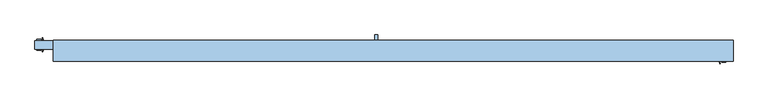
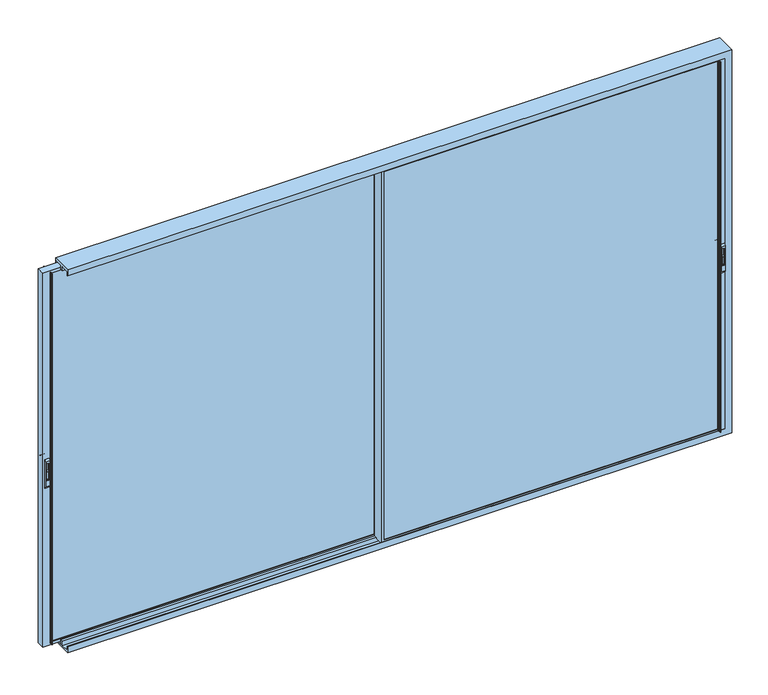
"""IFC4 building model written with IfcOpenShell, lengths in millimetres: window geometry."""

from ifc_helpers import new_model, si_unit, point, frame, frame_2d, origin, place, context, project, spatial, polyline, circle_curve, trimmed, segment, composite_curve, outline, extrude, faceted_brep, source, transform, mapped, element, save
from ifc_brep_helpers import plane_surface, cylinder_surface, revolved_surface, advanced_brep


def window_2987ed1d(model_context):
    return source(origin(), model_context, "Body", "SolidModel", [
        extrude(outline(composite_curve([segment(polyline([(-57.5, 2375.2189223), (-57.5, 2439.6559659)]), True, "CONTINUOUS"), segment(trimmed(circle_curve(frame_2d((-46.9370436, 2439.6559659)), 10.5629564), [point((-57.5, 2439.6559659))], [point((-46.9370436, 2450.2189223))], False, "CARTESIAN"), True, "CONTINUOUS"), segment(polyline([(-46.9370436, 2450.2189223), (-51.7185218, 2375.2189223), (-57.5, 2375.2189223)]), True, "CONTINUOUS")], self_intersect=False)), frame((-4015.5118895, 0.0, 0.0), z_axis=(1.0, 0.0, 0.0), x_axis=(0.0, 1.0, 0.0)), (0.0, 0.0, 1.0), 14.8235768),
        advanced_brep(
        [(-3990.1042776, -57.5, 2307.5), (-3990.1042776, -45.5, 2290.0), (-3990.1042776, -45.5, 2550.0), (-3990.1042776, -57.5, 2532.5), (-4026.0579683, -57.5, 2307.5), (-4026.0579683, -57.5, 2532.5), (-4026.0579683, -45.5, 2550.0), (-4026.0579683, -45.5, 2290.0), (-4016.8953531, -57.5, 2516.667345), (-3999.3048491, -57.5, 2516.667345), (-3999.3048491, -57.5, 2360.7687336), (-4016.8953531, -57.5, 2360.7687336), (-3999.3048491, -46.9370436, 2516.667345), (-4016.8953531, -46.9370436, 2516.667345), (-4016.8953531, -46.9370436, 2360.7687336), (-3999.3048491, -46.9370436, 2360.7687336)],
        [
            (0, 1, circle_curve(frame((-3990.1042776, -38.7395833, 2307.5), z_axis=(1.0, 0.0, 0.0), x_axis=(0.0, 0.0, -1.0)), 18.7604167)),
            (1, 2),
            (2, 3, circle_curve(frame((-3990.1042776, -38.7395833, 2532.5), z_axis=(1.0, 0.0, 0.0), x_axis=(0.0, 0.0, -1.0)), 18.7604167)),
            (3, 0),
            (4, 5),
            (5, 6, circle_curve(frame((-4026.0579683, -38.7395833, 2532.5), z_axis=(-1.0, 0.0, 0.0), x_axis=(0.0, 0.0, -1.0)), 18.7604167)),
            (6, 7),
            (7, 4, circle_curve(frame((-4026.0579683, -38.7395833, 2307.5), z_axis=(-1.0, 0.0, 0.0), x_axis=(0.0, 0.0, -1.0)), 18.7604167)),
            (1, 7),
            (6, 2),
            (3, 5),
            (4, 0),
            (8, 9),
            (9, 10),
            (10, 11),
            (11, 8),
            (12, 13),
            (13, 14),
            (14, 15),
            (15, 12),
            (12, 9),
            (8, 13),
            (11, 14),
            (10, 15),
        ],
        [
            plane_surface(frame((-3990.1042776, -38.7395833, 2288.7395833), z_axis=(1.0, 0.0, 0.0), x_axis=(0.0, 1.0, 0.0))),
            plane_surface(frame((-4026.0579683, -38.7395833, 2288.7395833), z_axis=(-1.0, 0.0, 0.0), x_axis=(0.0, -1.0, 0.0))),
            plane_surface(frame((-3990.1042776, -45.5, 2290.0), z_axis=(0.0, 1.0, 0.0), x_axis=(-1.0, 0.0, 0.0))),
            plane_surface(frame((-3990.1042776, -57.5, 2532.5), z_axis=(0.0, -1.0, 0.0), x_axis=(-1.0, 0.0, 0.0))),
            plane_surface(frame((-4016.8953531, -46.9370436, 2516.667345), z_axis=(0.0, -1.0, 0.0), x_axis=(1.0, 0.0, 0.0))),
            plane_surface(frame((-3999.3048491, -57.5, 2516.667345), z_axis=(0.0, 0.0, -1.0), x_axis=(0.0, 1.0, 0.0))),
            plane_surface(frame((-4016.8953531, -57.5, 2516.667345), z_axis=(1.0, 0.0, 0.0), x_axis=(0.0, 1.0, 0.0))),
            plane_surface(frame((-4016.8953531, -57.5, 2360.7687336), z_axis=(0.0, 0.0, 1.0), x_axis=(0.0, 1.0, 0.0))),
            plane_surface(frame((-3999.3048491, -57.5, 2360.7687336), z_axis=(-1.0, 0.0, 0.0), x_axis=(0.0, 1.0, 0.0))),
            cylinder_surface(frame((-4026.0579683, -38.7395833, 2307.5), z_axis=(1.0, 0.0, 0.0), x_axis=(0.0, 0.0, -1.0)), 18.7604167),
            cylinder_surface(frame((-4026.0579683, -38.7395833, 2532.5), z_axis=(1.0, 0.0, 0.0), x_axis=(0.0, 0.0, -1.0)), 18.7604167),
        ],
        [
            (0, [[1, 2, 3, 4]]),
            (1, [[5, 6, 7, 8]]),
            (2, [[-2, 9, -7, 10]]),
            (3, [[-4, 11, -5, 12], [13, 14, 15, 16]]),
            (4, [[17, 18, 19, 20]]),
            (5, [[-17, 21, -13, 22]]),
            (6, [[-18, -22, -16, 23]]),
            (7, [[-19, -23, -15, 24]]),
            (8, [[-20, -24, -14, -21]]),
            (9, [[-1, -12, -8, -9]]),
            (10, [[-3, -10, -6, -11]]),
        ],
    ),
        extrude(outline(composite_curve([segment(polyline([(-155.5, 2375.2189223), (-155.5, 2439.6559659)]), True, "CONTINUOUS"), segment(trimmed(circle_curve(frame_2d((-144.9370436, 2439.6559659)), 10.5629564), [point((-155.5, 2439.6559659))], [point((-144.9370436, 2450.2189223))], False, "CARTESIAN"), True, "CONTINUOUS"), segment(polyline([(-144.9370436, 2450.2189223), (-149.7185218, 2375.2189223), (-155.5, 2375.2189223)]), True, "CONTINUOUS")], self_intersect=False)), frame((1763.6495372, 0.0, 0.0), z_axis=(1.0, 0.0, 0.0), x_axis=(0.0, 1.0, 0.0)), (0.0, 0.0, 1.0), 14.8235768),
        advanced_brep(
        [(1789.0571491, -155.5, 2307.5), (1789.0571491, -143.5, 2290.0), (1789.0571491, -143.5, 2550.0), (1789.0571491, -155.5, 2532.5), (1753.1034585, -155.5, 2307.5), (1753.1034585, -155.5, 2532.5), (1753.1034585, -143.5, 2550.0), (1753.1034585, -143.5, 2290.0), (1762.2660736, -155.5, 2516.667345), (1779.8565776, -155.5, 2516.667345), (1779.8565776, -155.5, 2360.7687336), (1762.2660736, -155.5, 2360.7687336), (1779.8565776, -144.9370436, 2516.667345), (1762.2660736, -144.9370436, 2516.667345), (1762.2660736, -144.9370436, 2360.7687336), (1779.8565776, -144.9370436, 2360.7687336)],
        [
            (0, 1, circle_curve(frame((1789.0571491, -136.7395833, 2307.5), z_axis=(1.0, 0.0, 0.0), x_axis=(0.0, 0.0, -1.0)), 18.7604167)),
            (1, 2),
            (2, 3, circle_curve(frame((1789.0571491, -136.7395833, 2532.5), z_axis=(1.0, 0.0, 0.0), x_axis=(0.0, 0.0, -1.0)), 18.7604167)),
            (3, 0),
            (4, 5),
            (5, 6, circle_curve(frame((1753.1034585, -136.7395833, 2532.5), z_axis=(-1.0, 0.0, 0.0), x_axis=(0.0, 0.0, -1.0)), 18.7604167)),
            (6, 7),
            (7, 4, circle_curve(frame((1753.1034585, -136.7395833, 2307.5), z_axis=(-1.0, 0.0, 0.0), x_axis=(0.0, 0.0, -1.0)), 18.7604167)),
            (1, 7),
            (6, 2),
            (3, 5),
            (4, 0),
            (8, 9),
            (9, 10),
            (10, 11),
            (11, 8),
            (12, 13),
            (13, 14),
            (14, 15),
            (15, 12),
            (12, 9),
            (8, 13),
            (11, 14),
            (10, 15),
        ],
        [
            plane_surface(frame((1789.0571491, -136.7395833, 2288.7395833), z_axis=(1.0, 0.0, 0.0), x_axis=(0.0, 1.0, 0.0))),
            plane_surface(frame((1753.1034585, -136.7395833, 2288.7395833), z_axis=(-1.0, 0.0, 0.0), x_axis=(0.0, -1.0, 0.0))),
            plane_surface(frame((1789.0571491, -143.5, 2290.0), z_axis=(0.0, 1.0, 0.0), x_axis=(-1.0, 0.0, 0.0))),
            plane_surface(frame((1789.0571491, -155.5, 2532.5), z_axis=(0.0, -1.0, 0.0), x_axis=(-1.0, 0.0, 0.0))),
            plane_surface(frame((1762.2660736, -144.9370436, 2516.667345), z_axis=(0.0, -1.0, 0.0), x_axis=(1.0, 0.0, 0.0))),
            plane_surface(frame((1779.8565776, -155.5, 2516.667345), z_axis=(0.0, 0.0, -1.0), x_axis=(0.0, 1.0, 0.0))),
            plane_surface(frame((1762.2660736, -155.5, 2516.667345), z_axis=(1.0, 0.0, 0.0), x_axis=(0.0, 1.0, 0.0))),
            plane_surface(frame((1762.2660736, -155.5, 2360.7687336), z_axis=(0.0, 0.0, 1.0), x_axis=(0.0, 1.0, 0.0))),
            plane_surface(frame((1779.8565776, -155.5, 2360.7687336), z_axis=(-1.0, 0.0, 0.0), x_axis=(0.0, 1.0, 0.0))),
            cylinder_surface(frame((1753.1034585, -136.7395833, 2307.5), z_axis=(1.0, 0.0, 0.0), x_axis=(0.0, 0.0, -1.0)), 18.7604167),
            cylinder_surface(frame((1753.1034585, -136.7395833, 2532.5), z_axis=(1.0, 0.0, 0.0), x_axis=(0.0, 0.0, -1.0)), 18.7604167),
        ],
        [
            (0, [[1, 2, 3, 4]]),
            (1, [[5, 6, 7, 8]]),
            (2, [[-2, 9, -7, 10]]),
            (3, [[-4, 11, -5, 12], [13, 14, 15, 16]]),
            (4, [[17, 18, 19, 20]]),
            (5, [[-17, 21, -13, 22]]),
            (6, [[-18, -22, -16, 23]]),
            (7, [[-19, -23, -15, 24]]),
            (8, [[-20, -24, -14, -21]]),
            (9, [[-1, -12, -8, -9]]),
            (10, [[-3, -10, -6, -11]]),
        ],
    ),
        extrude(outline(composite_curve([segment(polyline([(-62.5008191, 2375.2189223), (-68.2822973, 2375.2189223), (-73.0637755, 2450.2189223)]), True, "CONTINUOUS"), segment(trimmed(circle_curve(frame_2d((-73.0637755, 2439.6559659)), 10.5629564), [point((-73.0637755, 2450.2189223))], [point((-62.5008191, 2439.6559659))], False, "CARTESIAN"), True, "CONTINUOUS"), segment(polyline([(-62.5008191, 2439.6559659), (-62.5008191, 2375.2189223)]), True, "CONTINUOUS")], self_intersect=False)), frame((1763.6874936, 0.0, 0.0), z_axis=(1.0, 0.0, 0.0), x_axis=(0.0, 1.0, 0.0)), (0.0, 0.0, 1.0), 14.8235768),
        advanced_brep(
        [(1753.1034585, -62.5008191, 2307.5), (1753.1034585, -74.5008191, 2290.0), (1753.1034585, -74.5008191, 2550.0), (1753.1034585, -62.5008191, 2532.5), (1789.0571491, -62.5008191, 2307.5), (1789.0571491, -62.5008191, 2532.5), (1789.0571491, -74.5008191, 2550.0), (1789.0571491, -74.5008191, 2290.0), (1779.894534, -62.5008191, 2516.667345), (1762.30403, -62.5008191, 2516.667345), (1762.30403, -62.5008191, 2360.7687336), (1779.894534, -62.5008191, 2360.7687336), (1762.30403, -73.0637755, 2516.667345), (1779.894534, -73.0637755, 2516.667345), (1779.894534, -73.0637755, 2360.7687336), (1762.30403, -73.0637755, 2360.7687336)],
        [
            (0, 1, circle_curve(frame((1753.1034585, -81.2612358, 2307.5), z_axis=(-1.0, 0.0, 0.0), x_axis=(0.0, 0.0, -1.0)), 18.7604167)),
            (1, 2),
            (2, 3, circle_curve(frame((1753.1034585, -81.2612358, 2532.5), z_axis=(-1.0, 0.0, 0.0), x_axis=(0.0, 0.0, -1.0)), 18.7604167)),
            (3, 0),
            (4, 5),
            (5, 6, circle_curve(frame((1789.0571491, -81.2612358, 2532.5), z_axis=(1.0, 0.0, 0.0), x_axis=(0.0, 0.0, -1.0)), 18.7604167)),
            (6, 7),
            (7, 4, circle_curve(frame((1789.0571491, -81.2612358, 2307.5), z_axis=(1.0, 0.0, 0.0), x_axis=(0.0, 0.0, -1.0)), 18.7604167)),
            (1, 7),
            (6, 2),
            (3, 5),
            (4, 0),
            (8, 9),
            (9, 10),
            (10, 11),
            (11, 8),
            (12, 13),
            (13, 14),
            (14, 15),
            (15, 12),
            (12, 9),
            (8, 13),
            (11, 14),
            (10, 15),
        ],
        [
            plane_surface(frame((1753.1034585, -81.2612358, 2288.7395833), z_axis=(-1.0, 0.0, 0.0), x_axis=(0.0, -1.0, 0.0))),
            plane_surface(frame((1789.0571491, -81.2612358, 2288.7395833), z_axis=(1.0, 0.0, 0.0), x_axis=(0.0, 1.0, 0.0))),
            plane_surface(frame((1753.1034585, -74.5008191, 2290.0), z_axis=(0.0, -1.0, 0.0), x_axis=(1.0, 0.0, 0.0))),
            plane_surface(frame((1753.1034585, -62.5008191, 2532.5), z_axis=(0.0, 1.0, 0.0), x_axis=(1.0, 0.0, 0.0))),
            plane_surface(frame((1779.894534, -73.0637755, 2516.667345), z_axis=(0.0, 1.0, 0.0), x_axis=(-1.0, 0.0, 0.0))),
            plane_surface(frame((1762.30403, -62.5008191, 2516.667345), z_axis=(0.0, 0.0, -1.0), x_axis=(0.0, -1.0, 0.0))),
            plane_surface(frame((1779.894534, -62.5008191, 2516.667345), z_axis=(-1.0, 0.0, 0.0), x_axis=(0.0, -1.0, 0.0))),
            plane_surface(frame((1779.894534, -62.5008191, 2360.7687336), z_axis=(0.0, 0.0, 1.0), x_axis=(0.0, -1.0, 0.0))),
            plane_surface(frame((1762.30403, -62.5008191, 2360.7687336), z_axis=(1.0, 0.0, 0.0), x_axis=(0.0, -1.0, 0.0))),
            cylinder_surface(frame((1789.0571491, -81.2612358, 2307.5), z_axis=(-1.0, 0.0, 0.0), x_axis=(0.0, 0.0, -1.0)), 18.7604167),
            cylinder_surface(frame((1789.0571491, -81.2612358, 2532.5), z_axis=(-1.0, 0.0, 0.0), x_axis=(0.0, 0.0, -1.0)), 18.7604167),
        ],
        [
            (0, [[1, 2, 3, 4]]),
            (1, [[5, 6, 7, 8]]),
            (2, [[-2, 9, -7, 10]]),
            (3, [[-4, 11, -5, 12], [13, 14, 15, 16]]),
            (4, [[17, 18, 19, 20]]),
            (5, [[-17, 21, -13, 22]]),
            (6, [[-18, -22, -16, 23]]),
            (7, [[-19, -23, -15, 24]]),
            (8, [[-20, -24, -14, -21]]),
            (9, [[-1, -12, -8, -9]]),
            (10, [[-3, -10, -6, -11]]),
        ],
    ),
        extrude(outline(composite_curve([segment(polyline([(35.3, 2375.2189223), (29.5185218, 2375.2189223), (24.7370436, 2450.2189223)]), True, "CONTINUOUS"), segment(trimmed(circle_curve(frame_2d((24.7370436, 2439.6559659)), 10.5629564), [point((24.7370436, 2450.2189223))], [point((35.3, 2439.6559659))], False, "CARTESIAN"), True, "CONTINUOUS"), segment(polyline([(35.3, 2439.6559659), (35.3, 2375.2189223)]), True, "CONTINUOUS")], self_intersect=False)), frame((-4015.4739332, 0.0, 0.0), z_axis=(1.0, 0.0, 0.0), x_axis=(0.0, 1.0, 0.0)), (0.0, 0.0, 1.0), 14.8235768),
        advanced_brep(
        [(-4026.0579683, 35.3, 2307.5), (-4026.0579683, 23.3, 2290.0), (-4026.0579683, 23.3, 2550.0), (-4026.0579683, 35.3, 2532.5), (-3990.1042776, 35.3, 2307.5), (-3990.1042776, 35.3, 2532.5), (-3990.1042776, 23.3, 2550.0), (-3990.1042776, 23.3, 2290.0), (-3999.2668927, 35.3, 2516.667345), (-4016.8573967, 35.3, 2516.667345), (-4016.8573967, 35.3, 2360.7687336), (-3999.2668927, 35.3, 2360.7687336), (-4016.8573967, 24.7370436, 2516.667345), (-3999.2668927, 24.7370436, 2516.667345), (-3999.2668927, 24.7370436, 2360.7687336), (-4016.8573967, 24.7370436, 2360.7687336)],
        [
            (0, 1, circle_curve(frame((-4026.0579683, 16.5395833, 2307.5), z_axis=(-1.0, 0.0, 0.0), x_axis=(0.0, 0.0, -1.0)), 18.7604167)),
            (1, 2),
            (2, 3, circle_curve(frame((-4026.0579683, 16.5395833, 2532.5), z_axis=(-1.0, 0.0, 0.0), x_axis=(0.0, 0.0, -1.0)), 18.7604167)),
            (3, 0),
            (4, 5),
            (5, 6, circle_curve(frame((-3990.1042776, 16.5395833, 2532.5), z_axis=(1.0, 0.0, 0.0), x_axis=(0.0, 0.0, -1.0)), 18.7604167)),
            (6, 7),
            (7, 4, circle_curve(frame((-3990.1042776, 16.5395833, 2307.5), z_axis=(1.0, 0.0, 0.0), x_axis=(0.0, 0.0, -1.0)), 18.7604167)),
            (1, 7),
            (6, 2),
            (3, 5),
            (4, 0),
            (8, 9),
            (9, 10),
            (10, 11),
            (11, 8),
            (12, 13),
            (13, 14),
            (14, 15),
            (15, 12),
            (12, 9),
            (8, 13),
            (11, 14),
            (10, 15),
        ],
        [
            plane_surface(frame((-4026.0579683, 16.5395833, 2288.7395833), z_axis=(-1.0, 0.0, 0.0), x_axis=(0.0, -1.0, 0.0))),
            plane_surface(frame((-3990.1042776, 16.5395833, 2288.7395833), z_axis=(1.0, 0.0, 0.0), x_axis=(0.0, 1.0, 0.0))),
            plane_surface(frame((-4026.0579683, 23.3, 2290.0), z_axis=(0.0, -1.0, 0.0), x_axis=(1.0, 0.0, 0.0))),
            plane_surface(frame((-4026.0579683, 35.3, 2532.5), z_axis=(0.0, 1.0, 0.0), x_axis=(1.0, 0.0, 0.0))),
            plane_surface(frame((-3999.2668927, 24.7370436, 2516.667345), z_axis=(0.0, 1.0, 0.0), x_axis=(-1.0, 0.0, 0.0))),
            plane_surface(frame((-4016.8573967, 35.3, 2516.667345), z_axis=(0.0, 0.0, -1.0), x_axis=(0.0, -1.0, 0.0))),
            plane_surface(frame((-3999.2668927, 35.3, 2516.667345), z_axis=(-1.0, 0.0, 0.0), x_axis=(0.0, -1.0, 0.0))),
            plane_surface(frame((-3999.2668927, 35.3, 2360.7687336), z_axis=(0.0, 0.0, 1.0), x_axis=(0.0, -1.0, 0.0))),
            plane_surface(frame((-4016.8573967, 35.3, 2360.7687336), z_axis=(1.0, 0.0, 0.0), x_axis=(0.0, -1.0, 0.0))),
            cylinder_surface(frame((-3990.1042776, 16.5395833, 2307.5), z_axis=(-1.0, 0.0, 0.0), x_axis=(0.0, 0.0, -1.0)), 18.7604167),
            cylinder_surface(frame((-3990.1042776, 16.5395833, 2532.5), z_axis=(-1.0, 0.0, 0.0), x_axis=(0.0, 0.0, -1.0)), 18.7604167),
        ],
        [
            (0, [[1, 2, 3, 4]]),
            (1, [[5, 6, 7, 8]]),
            (2, [[-2, 9, -7, 10]]),
            (3, [[-4, 11, -5, 12], [13, 14, 15, 16]]),
            (4, [[17, 18, 19, 20]]),
            (5, [[-17, 21, -13, 22]]),
            (6, [[-18, -22, -16, 23]]),
            (7, [[-19, -23, -15, 24]]),
            (8, [[-20, -24, -14, -21]]),
            (9, [[-1, -12, -8, -9]]),
            (10, [[-3, -10, -6, -11]]),
        ],
    ),
        extrude(outline(polyline([(-1163.0, -82.0), (1748.5, -82.0), (1748.5, -136.0), (-1163.0, -136.0), (-1163.0, -82.0)])), frame((0.0, 0.0, 857.0), z_axis=(0.0, 0.0, 1.0), x_axis=(1.0, 0.0, 0.0)), (0.0, 0.0, 1.0), 3386.0),
        extrude(outline(polyline([(-3985.5008191, -38.0), (-3985.5008191, 16.0), (-1163.0, 16.0), (-1163.0, -38.0), (-3985.5008191, -38.0)])), frame((0.0, 0.0, 857.0), z_axis=(0.0, 0.0, 1.0), x_axis=(1.0, 0.0, 0.0)), (0.0, 0.0, 1.0), 3386.0),
        faceted_brep([(-3889.421, 30.0, 800.0), (-3889.421, -150.0, 800.0), (-3889.421, -150.0, 857.0), (-3889.421, -145.8, 857.0), (-3889.421, -145.8, 819.456958), (-3889.421, -71.9016382, 819.456958), (-3889.421, -71.9016382, 857.0), (-3889.421, -48.1016382, 857.0), (-3889.421, -48.1016382, 819.2), (-3889.421, 26.3, 819.2), (-3889.421, 26.3, 857.0), (-3889.421, 30.0, 857.0), (1850.0, 30.0, 800.0), (1850.0, -150.0, 800.0), (1850.0, -150.0, 4300.0), (-3889.421, -150.0, 4300.0), (-3889.421, -150.0, 4243.0), (1793.0, -150.0, 4243.0), (1793.0, -150.0, 857.0), (1793.0, -145.8, 857.0), (1793.0, -145.8, 4243.0), (-3889.421, -145.8, 4243.0), (-3889.421, -145.8, 4280.543042), (1830.543042, -145.8, 4280.543042), (1830.543042, -145.8, 819.456958), (1830.543042, -71.9016382, 819.456958), (1830.543042, -71.9016382, 4280.543042), (-3889.421, -71.9016382, 4280.543042), (-3889.421, -71.9016382, 4243.0), (1793.0, -71.9016382, 4243.0), (1793.0, -71.9016382, 857.0), (1793.0, -48.1016382, 857.0), (1793.0, -48.1016382, 4243.0), (-3889.421, -48.1016382, 4243.0), (-3889.421, -48.1016382, 4280.8), (1830.8, -48.1016382, 4280.8), (1830.8, -48.1016382, 819.2), (1830.8, 26.3, 819.2), (1830.8, 26.3, 4280.8), (-3889.421, 26.3, 4280.8), (-3889.421, 26.3, 4243.0), (1793.0, 26.3, 4243.0), (1793.0, 26.3, 857.0), (1793.0, 30.0, 857.0), (1793.0, 30.0, 4243.0), (-3889.421, 30.0, 4243.0), (-3889.421, 30.0, 4300.0), (1850.0, 30.0, 4300.0)], [[[0, 1, 2, 3, 4, 5, 6, 7, 8, 9, 10, 11]], [[1, 0, 12, 13]], [[2, 1, 13, 14, 15, 16, 17, 18]], [[3, 2, 18, 19]], [[4, 3, 19, 20, 21, 22, 23, 24]], [[5, 4, 24, 25]], [[6, 5, 25, 26, 27, 28, 29, 30]], [[7, 6, 30, 31]], [[8, 7, 31, 32, 33, 34, 35, 36]], [[9, 8, 36, 37]], [[10, 9, 37, 38, 39, 40, 41, 42]], [[11, 10, 42, 43]], [[0, 11, 43, 44, 45, 46, 47, 12]], [[13, 12, 47, 14]], [[19, 18, 17, 20]], [[25, 24, 23, 26]], [[31, 30, 29, 32]], [[37, 36, 35, 38]], [[43, 42, 41, 44]], [[14, 47, 46, 15]], [[46, 45, 40, 39, 34, 33, 28, 27, 22, 21, 16, 15]], [[20, 17, 16, 21]], [[26, 23, 22, 27]], [[32, 29, 28, 33]], [[38, 35, 34, 39]], [[44, 41, 40, 45]]]),
        extrude(outline(polyline([(1794.6, 23.9), (1794.6, -46.0016382), (1830.5, -46.0016382), (1830.5, -48.1016382), (1793.0, -48.1016382), (1793.0, 26.0), (1830.5, 26.0), (1830.5, 23.9), (1794.6, 23.9)])), frame((0.0, 0.0, 820.982126), z_axis=(0.0, 0.0, 1.0), x_axis=(1.0, 0.0, 0.0)), (0.0, 0.0, 1.0), 3460.1391298),
        advanced_brep(
        [(-1176.0, -74.5008191, 845.5), (-1176.0, -143.5, 845.5), (-1176.0, -143.5, 4257.5), (-1176.0, -74.5008191, 4257.5), (-1176.0, -74.5008191, 4243.0), (-1176.0, -48.4969017, 4243.0), (-1176.0, -48.4969017, 857.0), (-1176.0, -74.5008191, 857.0), (1805.5, -74.5008191, 845.5), (1805.5, -143.5, 845.5), (1805.5, -143.5, 4257.5), (1739.6208983, -143.5, 857.0), (1736.5, -143.5, 857.0), (1736.5, -143.5, 4239.9999325), (1739.6208983, -143.5, 4239.9999325), (-1150.0, -143.5, 4231.0), (1734.5, -143.5, 4231.0), (1734.5, -143.5, 869.0), (-1150.0, -143.5, 869.0), (-1164.4, -48.4969017, 4243.0), (-1164.4, -48.4969017, 857.0), (-1164.4, -74.5008191, 857.0), (1805.5, -74.5008191, 4257.5), (-1164.4, -74.5008191, 4243.0), (-1150.0, -74.5008191, 869.0), (1734.5, -74.5008191, 869.0), (1734.5, -74.5008191, 4231.0), (-1150.0, -74.5008191, 4231.0), (1739.6208983, -74.5008191, 4239.9999325), (1736.5, -74.5008191, 4239.9999325), (1736.5002349, -74.5008191, 857.0), (1739.6208983, -74.5008191, 857.0), (1805.5, -82.0, 4239.9999325), (1805.5, -135.8, 4239.9999325), (1805.5, -135.8, 4243.0), (1805.5, -82.0, 4243.0), (1734.5, -136.0, 4231.0), (1734.5, -136.0, 869.0), (-1150.0, -135.8, 869.0), (1748.5, -136.0, 869.0), (1748.5, -135.8, 869.0), (-1150.0, -135.8, 4231.0), (1737.626431, -150.4555341, 857.0), (1737.739631, -152.4330365, 857.0), (1743.4747822, -167.8432139, 857.0), (1743.0, -168.5, 857.0), (1740.2399611, -168.5, 857.0), (1739.2836563, -167.7923717, 857.0), (1734.6162149, -152.5258588, 857.0), (1734.6162149, -150.0695393, 857.0), (1734.6162149, -67.9304607, 857.0), (1734.6162149, -65.4741412, 857.0), (1739.2836563, -50.2076283, 857.0), (1740.2399611, -49.5, 857.0), (1743.0, -49.5, 857.0), (1743.4747822, -50.1567861, 857.0), (1737.739631, -65.5669635, 857.0), (1737.626431, -67.5444659, 857.0), (1734.6162149, -150.0695393, 4239.9999325), (1737.626431, -150.4555341, 4239.9999325), (1748.5, -136.0, 4231.0), (1748.5, -82.0, 4239.9999325), (1748.5, -82.0, 860.0000675), (1748.5, -135.8, 860.0000675), (1748.5, -135.8, 4231.0), (1748.5, -135.8, 4239.9999325), (-1163.0, -135.8, 860.0000675), (-1163.0, -135.8, 4243.0), (-1163.0, -82.0, 860.0000675), (-1163.0, -82.0, 4243.0), (-1150.0, -82.0, 869.0), (-1150.0, -82.0, 4231.0), (1734.5, -82.0, 4231.0), (1734.5, -82.0, 869.0), (1734.6162149, -67.9304607, 4239.9999325), (1737.626431, -67.5444659, 4239.9999325), (1737.739631, -152.4330365, 4239.9999325), (1743.4747822, -167.8432139, 4239.9999325), (1743.0, -168.5, 4239.9999325), (1740.2399611, -168.5, 4239.9999325), (1739.2836563, -167.7923717, 4239.9999325), (1734.6162149, -152.5258588, 4239.9999325), (1734.6162149, -65.4741412, 4239.9999325), (1739.2836563, -50.2076283, 4239.9999325), (1740.2399611, -49.5, 4239.9999325), (1743.0, -49.5, 4239.9999325), (1743.4747822, -50.1567861, 4239.9999325), (1737.739631, -65.5669635, 4239.9999325)],
        [
            (0, 1),
            (1, 2),
            (2, 3),
            (3, 4),
            (4, 5),
            (5, 6),
            (6, 7),
            (7, 0),
            (0, 8),
            (8, 9),
            (9, 1),
            (9, 10),
            (10, 2),
            (11, 12),
            (12, 13),
            (13, 14),
            (14, 11),
            (15, 16),
            (16, 17),
            (17, 18),
            (18, 15),
            (5, 19),
            (19, 20),
            (20, 6),
            (20, 21),
            (21, 7),
            (22, 8),
            (21, 23),
            (23, 4),
            (3, 22),
            (24, 25),
            (25, 26),
            (26, 27),
            (27, 24),
            (28, 29),
            (29, 30),
            (30, 31),
            (31, 28),
            (22, 10),
            (32, 33),
            (33, 34),
            (34, 35),
            (35, 32),
            (16, 36),
            (36, 37),
            (37, 17),
            (38, 18),
            (37, 39),
            (39, 40),
            (40, 38),
            (38, 41),
            (41, 15),
            (11, 42),
            (42, 43, circle_curve(frame((1740.5102161, -151.2824462, 857.0), z_axis=(0.0, 0.0, 1.0), x_axis=(1.0, 0.0, 0.0)), 3.0)),
            (43, 44, circle_curve(frame((1534.3068415, -236.9162025, 857.0), z_axis=(0.0, 0.0, -1.0), x_axis=(1.0, 0.0, 0.0)), 220.2777909)),
            (44, 45, circle_curve(frame((1743.0, -168.0, 857.0), z_axis=(0.0, 0.0, -1.0), x_axis=(1.0, 0.0, 0.0)), 0.5)),
            (45, 46),
            (46, 47, circle_curve(frame((1740.2399611, -167.5, 857.0), z_axis=(0.0, 0.0, -1.0), x_axis=(1.0, 0.0, 0.0)), 1.0)),
            (47, 48),
            (48, 49, circle_curve(frame((1738.8993168, -151.297699, 857.0), z_axis=(0.0, 0.0, -1.0), x_axis=(1.0, 0.0, 0.0)), 4.4557085)),
            (49, 12),
            (30, 50),
            (50, 51, circle_curve(frame((1738.8993168, -66.702301, 857.0), z_axis=(0.0, 0.0, -1.0), x_axis=(1.0, 0.0, 0.0)), 4.4557085)),
            (51, 52),
            (52, 53, circle_curve(frame((1740.2399611, -50.5, 857.0), z_axis=(0.0, 0.0, -1.0), x_axis=(1.0, 0.0, 0.0)), 1.0)),
            (53, 54),
            (54, 55, circle_curve(frame((1743.0, -50.0, 857.0), z_axis=(0.0, 0.0, -1.0), x_axis=(1.0, 0.0, 0.0)), 0.5)),
            (55, 56, circle_curve(frame((1534.3068415, 18.9162025, 857.0), z_axis=(0.0, 0.0, -1.0), x_axis=(1.0, 0.0, 0.0)), 220.2777909)),
            (56, 57, circle_curve(frame((1740.5102161, -66.7175538, 857.0), z_axis=(0.0, 0.0, 1.0), x_axis=(1.0, 0.0, 0.0)), 3.0)),
            (57, 31),
            (58, 13),
            (49, 58),
            (14, 59),
            (59, 42),
            (60, 39),
            (36, 60),
            (61, 62),
            (62, 63),
            (63, 40),
            (60, 64),
            (64, 65),
            (65, 61),
            (63, 66),
            (66, 67),
            (67, 34),
            (33, 65),
            (64, 41),
            (62, 68),
            (68, 66),
            (68, 69),
            (69, 67),
            (61, 32),
            (35, 69),
            (70, 71),
            (71, 72),
            (72, 73),
            (73, 70),
            (27, 71),
            (70, 24),
            (72, 26),
            (25, 73),
            (19, 23),
            (29, 74),
            (74, 50),
            (75, 28),
            (57, 75),
            (59, 76, circle_curve(frame((1740.5102161, -151.2824462, 4239.9999325), z_axis=(0.0, 0.0, 1.0), x_axis=(1.0, 0.0, 0.0)), 3.0)),
            (76, 43),
            (76, 77, circle_curve(frame((1534.3068415, -236.9162025, 4239.9999325), z_axis=(0.0, 0.0, -1.0), x_axis=(1.0, 0.0, 0.0)), 220.2777909)),
            (77, 44),
            (77, 78, circle_curve(frame((1743.0, -168.0, 4239.9999325), z_axis=(0.0, 0.0, -1.0), x_axis=(1.0, 0.0, 0.0)), 0.5)),
            (78, 45),
            (78, 79),
            (79, 46),
            (79, 80, circle_curve(frame((1740.2399611, -167.5, 4239.9999325), z_axis=(0.0, 0.0, -1.0), x_axis=(1.0, 0.0, 0.0)), 1.0)),
            (80, 47),
            (80, 81),
            (81, 48),
            (81, 58, circle_curve(frame((1738.8993168, -151.297699, 4239.9999325), z_axis=(0.0, 0.0, -1.0), x_axis=(1.0, 0.0, 0.0)), 4.4557085)),
            (74, 82, circle_curve(frame((1738.8993168, -66.702301, 4239.9999325), z_axis=(0.0, 0.0, -1.0), x_axis=(1.0, 0.0, 0.0)), 4.4557085)),
            (82, 51),
            (82, 83),
            (83, 52),
            (83, 84, circle_curve(frame((1740.2399611, -50.5, 4239.9999325), z_axis=(0.0, 0.0, -1.0), x_axis=(1.0, 0.0, 0.0)), 1.0)),
            (84, 53),
            (84, 85),
            (85, 54),
            (85, 86, circle_curve(frame((1743.0, -50.0, 4239.9999325), z_axis=(0.0, 0.0, -1.0), x_axis=(1.0, 0.0, 0.0)), 0.5)),
            (86, 55),
            (86, 87, circle_curve(frame((1534.3068415, 18.9162025, 4239.9999325), z_axis=(0.0, 0.0, -1.0), x_axis=(1.0, 0.0, 0.0)), 220.2777909)),
            (87, 56),
            (87, 75, circle_curve(frame((1740.5102161, -66.7175538, 4239.9999325), z_axis=(0.0, 0.0, 1.0), x_axis=(1.0, 0.0, 0.0)), 3.0)),
        ],
        [
            plane_surface(frame((-1176.0, -143.5, 869.0), z_axis=(-1.0, 0.0, 0.0), x_axis=(0.0, 0.0, 1.0))),
            plane_surface(frame((-1176.0, -74.5008191, 845.5), z_axis=(0.0, 0.0, -1.0), x_axis=(1.0, 0.0, 0.0))),
            plane_surface(frame((-1176.0, -143.5, 845.5), z_axis=(0.0, -1.0, 0.0), x_axis=(1.0, 0.0, 0.0))),
            plane_surface(frame((-1164.4, -48.4969017, 4243.0), z_axis=(0.0, 1.0, 0.0), x_axis=(0.0, 0.0, -1.0))),
            plane_surface(frame((-1150.0, -143.5, 857.0), z_axis=(0.0, 0.0, -1.0), x_axis=(0.0, -1.0, 0.0))),
            plane_surface(frame((-1176.0, -74.5008191, 869.0), z_axis=(0.0, 1.0, 0.0), x_axis=(1.0, 0.0, 0.0))),
            plane_surface(frame((1805.5, -143.5, 869.0), z_axis=(1.0, 0.0, 0.0), x_axis=(0.0, 0.0, -1.0))),
            plane_surface(frame((1734.5, -136.0, 4239.9999325), z_axis=(-1.0, 0.0, 0.0), x_axis=(0.0, 0.0, -1.0))),
            plane_surface(frame((-1176.0, -143.5, 869.0), z_axis=(0.0, 0.0, 1.0), x_axis=(1.0, 0.0, 0.0))),
            plane_surface(frame((-1150.0, -143.5, 4243.0), z_axis=(1.0, 0.0, 0.0), x_axis=(0.0, 0.0, -1.0))),
            plane_surface(frame((1739.6208983, -74.5, 857.0), z_axis=(0.0, 0.0, -1.0), x_axis=(1.0, 0.0, 0.0))),
            plane_surface(frame((1736.5, -143.5, 4239.9999325), z_axis=(-0.9612616959383372, 0.27563735581693555, 0.0), x_axis=(0.0, 0.0, -1.0))),
            plane_surface(frame((1737.626431, -150.4555341, 4239.9999325), z_axis=(0.9612616959382102, -0.27563735581737825, 0.0), x_axis=(0.0, 0.0, -1.0))),
            plane_surface(frame((1748.5, -136.0, 4239.9999325), z_axis=(0.0, 1.0, 0.0), x_axis=(0.0, 0.0, -1.0))),
            plane_surface(frame((1748.5, -82.0, 4239.9999325), z_axis=(-1.0, 0.0, 0.0), x_axis=(0.0, 0.0, -1.0))),
            plane_surface(frame((-1176.0, -135.8, 869.0), z_axis=(0.0, 1.0, 0.0), x_axis=(1.0, 0.0, 0.0))),
            plane_surface(frame((-1176.0, -135.8, 860.0000675), z_axis=(0.0, 0.0, 1.0), x_axis=(1.0, 0.0, 0.0))),
            plane_surface(frame((-1163.0, -135.8, 4243.0), z_axis=(1.0, 0.0, 0.0), x_axis=(0.0, 0.0, -1.0))),
            plane_surface(frame((-1176.0, -82.0, 860.0000675), z_axis=(0.0, -1.0, 0.0), x_axis=(1.0, 0.0, 0.0))),
            plane_surface(frame((-1150.0, -82.0, 4243.0), z_axis=(1.0, 0.0, 0.0), x_axis=(0.0, 0.0, -1.0))),
            plane_surface(frame((1734.5, -74.5, 4239.9999325), z_axis=(-1.0, 0.0, 0.0), x_axis=(0.0, 0.0, -1.0))),
            plane_surface(frame((-1176.0, -82.0, 869.0), z_axis=(0.0, 0.0, 1.0), x_axis=(1.0, 0.0, 0.0))),
            plane_surface(frame((-1164.4, -74.5008191, 4243.0), z_axis=(1.0, 0.0, 0.0), x_axis=(0.0, 0.0, -1.0))),
            plane_surface(frame((1734.6162149, -67.9304607, 4239.9999325), z_axis=(-0.9612616959382837, -0.275637355817122, 0.0), x_axis=(0.0, 0.0, -1.0))),
            plane_surface(frame((1739.6208983, -74.5, 4239.9999325), z_axis=(0.9612616959382672, 0.27563735581717946, 0.0), x_axis=(0.0, 0.0, -1.0))),
            revolved_surface(polyline([(1743.5102161, -151.2824462, 857.0), (1743.5102161, -151.2824462, 4239.9999325)]), (1740.5102161, -151.2824462, 857.0), (0.0, 0.0, -1.0)),
            cylinder_surface(frame((1534.3068415, -236.9162025, 857.0), z_axis=(0.0, 0.0, 1.0), x_axis=(1.0, 0.0, 0.0)), 220.2777909),
            cylinder_surface(frame((1743.0, -168.0, 857.0), z_axis=(0.0, 0.0, 1.0), x_axis=(1.0, 0.0, 0.0)), 0.5),
            plane_surface(frame((1740.2399611, -168.5, 4239.9999325), z_axis=(0.0, -1.0, 0.0), x_axis=(0.0, 0.0, -1.0))),
            cylinder_surface(frame((1740.2399611, -167.5, 857.0), z_axis=(0.0, 0.0, 1.0), x_axis=(1.0, 0.0, 0.0)), 1.0),
            plane_surface(frame((1734.6162149, -152.5258588, 4239.9999325), z_axis=(-0.9563047559631049, -0.2923717047225098, 0.0), x_axis=(0.0, 0.0, -1.0))),
            cylinder_surface(frame((1738.8993168, -151.297699, 857.0), z_axis=(0.0, 0.0, 1.0), x_axis=(1.0, 0.0, 0.0)), 4.4557085),
            cylinder_surface(frame((1738.8993168, -66.702301, 857.0), z_axis=(0.0, 0.0, 1.0), x_axis=(1.0, 0.0, 0.0)), 4.4557085),
            plane_surface(frame((1739.2836563, -50.2076283, 4239.9999325), z_axis=(-0.9563047559630989, 0.2923717047225295, 0.0), x_axis=(0.0, 0.0, -1.0))),
            cylinder_surface(frame((1740.2399611, -50.5, 857.0), z_axis=(0.0, 0.0, 1.0), x_axis=(1.0, 0.0, 0.0)), 1.0),
            plane_surface(frame((1743.0, -49.5, 4239.9999325), z_axis=(0.0, 1.0, 0.0), x_axis=(0.0, 0.0, -1.0))),
            cylinder_surface(frame((1743.0, -50.0, 857.0), z_axis=(0.0, 0.0, 1.0), x_axis=(1.0, 0.0, 0.0)), 0.5),
            cylinder_surface(frame((1534.3068415, 18.9162025, 857.0), z_axis=(0.0, 0.0, 1.0), x_axis=(1.0, 0.0, 0.0)), 220.2777909),
            revolved_surface(polyline([(1743.5102161, -66.7175538, 857.0), (1743.5102161, -66.7175538, 4239.9999325)]), (1740.5102161, -66.7175538, 857.0), (0.0, 0.0, -1.0)),
            plane_surface(frame((-1176.0, -143.5, 4257.5), z_axis=(0.0, 0.0, 1.0), x_axis=(1.0, 0.0, 0.0))),
            plane_surface(frame((-1150.0, -143.5, 4243.0), z_axis=(0.0, 0.0, 1.0), x_axis=(0.0, 1.0, 0.0))),
            plane_surface(frame((1739.6208983, -74.5, 4239.9999325), z_axis=(0.0, 0.0, 1.0), x_axis=(-1.0, 0.0, 0.0))),
            plane_surface(frame((-1176.0, -82.0, 4243.0), z_axis=(0.0, 0.0, -1.0), x_axis=(1.0, 0.0, 0.0))),
            plane_surface(frame((-1176.0, -135.8, 4231.0), z_axis=(0.0, 0.0, -1.0), x_axis=(1.0, 0.0, 0.0))),
            plane_surface(frame((-1176.0, -74.5008191, 4231.0), z_axis=(0.0, 0.0, -1.0), x_axis=(1.0, 0.0, 0.0))),
        ],
        [
            (0, [[1, 2, 3, 4, 5, 6, 7, 8]]),
            (1, [[-1, 9, 10, 11]]),
            (2, [[-11, 12, 13, -2], [14, 15, 16, 17], [18, 19, 20, 21]]),
            (3, [[22, 23, 24, -6]]),
            (4, [[-24, 25, 26, -7]]),
            (5, [[27, -9, -8, -26, 28, 29, -4, 30], [31, 32, 33, 34], [35, 36, 37, 38]]),
            (6, [[-10, -27, 39, -12], [40, 41, 42, 43]]),
            (7, [[-19, 44, 45, 46]]),
            (8, [[47, -20, -46, 48, 49, 50]]),
            (9, [[-21, -47, 51, 52]]),
            (10, [[53, 54, 55, 56, 57, 58, 59, 60, 61, -14]]),
            (10, [[62, 63, 64, 65, 66, 67, 68, 69, 70, -37]]),
            (11, [[71, -15, -61, 72]]),
            (12, [[-17, 73, 74, -53]]),
            (13, [[75, -48, -45, 76]]),
            (14, [[77, 78, 79, -49, -75, 80, 81, 82]]),
            (15, [[-51, -50, -79, 83, 84, 85, -41, 86, -81, 87]]),
            (16, [[88, 89, -83, -78]]),
            (17, [[-89, 90, 91, -84]]),
            (18, [[92, -43, 93, -90, -88, -77], [94, 95, 96, 97]]),
            (19, [[-34, 98, -94, 99]]),
            (20, [[-96, 100, -32, 101]]),
            (21, [[-99, -97, -101, -31]]),
            (22, [[102, -28, -25, -23]]),
            (23, [[-36, 103, 104, -62]]),
            (24, [[105, -38, -70, 106]]),
            (25, [[107, 108, -54, -74]]),
            (26, [[109, 110, -55, -108]]),
            (27, [[111, 112, -56, -110]]),
            (28, [[113, 114, -57, -112]]),
            (29, [[115, 116, -58, -114]]),
            (30, [[117, 118, -59, -116]]),
            (31, [[119, -72, -60, -118]]),
            (32, [[120, 121, -63, -104]]),
            (33, [[122, 123, -64, -121]]),
            (34, [[124, 125, -65, -123]]),
            (35, [[126, 127, -66, -125]]),
            (36, [[128, 129, -67, -127]]),
            (37, [[130, 131, -68, -129]]),
            (38, [[132, -106, -69, -131]]),
            (39, [[-3, -13, -39, -30]]),
            (40, [[-102, -22, -5, -29]]),
            (41, [[-40, -92, -82, -86]]),
            (41, [[-71, -119, -117, -115, -113, -111, -109, -107, -73, -16]]),
            (41, [[-105, -132, -130, -128, -126, -124, -122, -120, -103, -35]]),
            (42, [[-42, -85, -91, -93]]),
            (43, [[-52, -87, -80, -76, -44, -18]]),
            (44, [[-98, -33, -100, -95]]),
        ],
    ),
        advanced_brep(
        [(-4042.5, 23.3, 843.0), (-4042.5, -45.5, 843.0), (-4042.5, -45.5, 4257.5), (-4042.5, 23.3, 4257.5), (-1150.0, 23.3, 843.0), (-1150.0, -45.5, 843.0), (-1150.0, -45.5, 857.0), (-1161.6, -45.5, 857.0), (-1161.6, -45.5, 4243.0), (-1150.0, -45.5, 4243.0), (-1150.0, -45.5, 4257.5), (-1176.0, -45.5, 869.0), (-3971.5, -45.5, 869.0), (-3971.5, -45.5, 4231.0), (-1176.0, -45.5, 4231.0), (-3978.8815605, -45.5, 4243.0), (-3973.5, -45.5, 4243.0), (-3973.5, -45.5, 857.0), (-3978.8815605, -45.5, 857.0), (-1150.0, 23.3, 4257.5), (-1150.0, 23.3, 4243.0), (-1175.0, 23.3, 4243.0), (-1175.0, 23.3, 4231.0), (-3971.5, 23.3, 4231.0), (-3971.5, 23.3, 869.0), (-1175.0, 23.3, 869.0), (-1175.0, 23.3, 857.0), (-1150.0, 23.3, 857.0), (-3973.5, 23.3, 4243.0), (-3978.8815605, 23.3, 4243.0), (-3978.8815605, 23.3, 857.0), (-3973.5, 23.3, 857.0), (-1150.0, 73.5, 857.0), (-1150.0, 73.5, 4243.0), (-1150.0, -71.5030983, 4243.0), (-1150.0, -71.5030983, 857.0), (-1161.6, -71.5030983, 857.0), (-1175.0, 73.5, 857.0), (-1175.0, 73.5, 4243.0), (-1161.6, -71.5030983, 4243.0), (-1176.0, -38.0, 869.0), (-3971.5, -38.0, 869.0), (-3971.5, -38.0, 4231.0), (-1176.0, -38.0, 4231.0), (-3971.6162149, -52.0695393, 4243.0), (-3971.6162149, -52.0695393, 857.0), (-3971.6162149, -54.5258588, 857.0), (-3976.2836563, -69.7923717, 857.0), (-3977.2399611, -70.5, 857.0), (-3980.0, -70.5, 857.0), (-3980.4747822, -69.8432139, 857.0), (-3974.739631, -54.4330365, 857.0), (-3974.626431, -52.4555341, 857.0), (-3975.9977754, -47.6730879, 857.0), (-3975.9977754, 25.4730879, 857.0), (-3974.626431, 30.2555341, 857.0), (-3974.739631, 32.2330365, 857.0), (-3980.4747822, 47.6432139, 857.0), (-3980.0, 48.3, 857.0), (-3977.2399611, 48.3, 857.0), (-3976.2836563, 47.5923717, 857.0), (-3971.6162149, 32.3258588, 857.0), (-3971.6162149, 29.8695393, 857.0), (-3975.9977754, -47.6730879, 4243.0), (-1163.0, -38.0, 4243.0), (-1163.0, -38.0, 857.0), (-3985.4270356, -38.0, 857.0), (-3985.4270356, -38.0, 4243.0), (-1163.0, 16.0, 857.0), (-1163.0, 16.0, 4243.0), (-3985.4270356, 16.0, 857.0), (-3985.4270356, 16.0, 4243.0), (-1175.0, 16.0, 4231.0), (-1175.0, 16.0, 869.0), (-3971.5, 16.0, 869.0), (-3971.5, 16.0, 4231.0), (-3975.9977754, 25.4730879, 4243.0), (-3971.6162149, 29.8695393, 4243.0), (-3974.626431, 30.2555341, 4243.0), (-3974.739631, 32.2330365, 4243.0), (-3980.4747822, 47.6432139, 4243.0), (-3980.0, 48.3, 4243.0), (-3977.2399611, 48.3, 4243.0), (-3976.2836563, 47.5923717, 4243.0), (-3971.6162149, 32.3258588, 4243.0), (-3971.6162149, -54.5258588, 4243.0), (-3976.2836563, -69.7923717, 4243.0), (-3977.2399611, -70.5, 4243.0), (-3980.0, -70.5, 4243.0), (-3980.4747822, -69.8432139, 4243.0), (-3974.739631, -54.4330365, 4243.0), (-3974.626431, -52.4555341, 4243.0)],
        [
            (0, 1),
            (1, 2),
            (2, 3),
            (3, 0),
            (0, 4),
            (4, 5),
            (5, 1),
            (5, 6),
            (6, 7),
            (7, 8),
            (8, 9),
            (9, 10),
            (10, 2),
            (11, 12),
            (12, 13),
            (13, 14),
            (14, 11),
            (15, 16),
            (16, 17),
            (17, 18),
            (18, 15),
            (3, 19),
            (19, 20),
            (20, 21),
            (21, 22),
            (22, 23),
            (23, 24),
            (24, 25),
            (25, 26),
            (26, 27),
            (27, 4),
            (28, 29),
            (29, 30),
            (30, 31),
            (31, 28),
            (27, 32),
            (32, 33),
            (33, 20),
            (19, 10),
            (9, 34),
            (34, 35),
            (35, 6),
            (35, 36),
            (36, 7),
            (37, 32),
            (26, 37),
            (38, 33),
            (37, 38),
            (34, 39),
            (39, 36),
            (11, 40),
            (40, 41),
            (41, 12),
            (41, 42),
            (42, 13),
            (14, 43),
            (43, 40),
            (16, 44),
            (44, 45),
            (45, 17),
            (45, 46, circle_curve(frame((-3975.8993168, -53.297699, 857.0), z_axis=(0.0, 0.0, -1.0), x_axis=(1.0, 0.0, 0.0)), 4.4557085)),
            (46, 47),
            (47, 48, circle_curve(frame((-3977.2399611, -69.5, 857.0), z_axis=(0.0, 0.0, -1.0), x_axis=(1.0, 0.0, 0.0)), 1.0)),
            (48, 49),
            (49, 50, circle_curve(frame((-3980.0, -70.0, 857.0), z_axis=(0.0, 0.0, -1.0), x_axis=(1.0, 0.0, 0.0)), 0.5)),
            (50, 51, circle_curve(frame((-3771.3068415, -138.9162025, 857.0), z_axis=(0.0, 0.0, -1.0), x_axis=(1.0, 0.0, 0.0)), 220.2777909)),
            (51, 52, circle_curve(frame((-3977.5102161, -53.2824462, 857.0), z_axis=(0.0, 0.0, 1.0), x_axis=(1.0, 0.0, 0.0)), 3.0)),
            (52, 53),
            (53, 18, circle_curve(frame((-3978.8815605, -48.5, 857.0), z_axis=(0.0, 0.0, 1.0), x_axis=(1.0, 0.0, 0.0)), 3.0)),
            (30, 54, circle_curve(frame((-3978.8815605, 26.3, 857.0), z_axis=(0.0, 0.0, 1.0), x_axis=(1.0, 0.0, 0.0)), 3.0)),
            (54, 55),
            (55, 56, circle_curve(frame((-3977.5102161, 31.0824462, 857.0), z_axis=(0.0, 0.0, 1.0), x_axis=(1.0, 0.0, 0.0)), 3.0)),
            (56, 57, circle_curve(frame((-3771.3068415, 116.7162025, 857.0), z_axis=(0.0, 0.0, -1.0), x_axis=(1.0, 0.0, 0.0)), 220.2777909)),
            (57, 58, circle_curve(frame((-3980.0, 47.8, 857.0), z_axis=(0.0, 0.0, -1.0), x_axis=(1.0, 0.0, 0.0)), 0.5)),
            (58, 59),
            (59, 60, circle_curve(frame((-3977.2399611, 47.3, 857.0), z_axis=(0.0, 0.0, -1.0), x_axis=(1.0, 0.0, 0.0)), 1.0)),
            (60, 61),
            (61, 62, circle_curve(frame((-3975.8993168, 31.097699, 857.0), z_axis=(0.0, 0.0, -1.0), x_axis=(1.0, 0.0, 0.0)), 4.4557085)),
            (62, 31),
            (63, 15, circle_curve(frame((-3978.8815605, -48.5, 4243.0), z_axis=(0.0, 0.0, 1.0), x_axis=(1.0, 0.0, 0.0)), 3.0)),
            (53, 63),
            (39, 8),
            (64, 65),
            (65, 66),
            (66, 67),
            (67, 64),
            (43, 42),
            (68, 65),
            (64, 69),
            (69, 68),
            (68, 70),
            (70, 66),
            (70, 71),
            (71, 67),
            (69, 71),
            (72, 73),
            (73, 74),
            (74, 75),
            (75, 72),
            (25, 73),
            (72, 22),
            (21, 38),
            (24, 74),
            (23, 75),
            (29, 76, circle_curve(frame((-3978.8815605, 26.3, 4243.0), z_axis=(0.0, 0.0, 1.0), x_axis=(1.0, 0.0, 0.0)), 3.0)),
            (76, 54),
            (77, 28),
            (62, 77),
            (76, 78),
            (78, 55),
            (78, 79, circle_curve(frame((-3977.5102161, 31.0824462, 4243.0), z_axis=(0.0, 0.0, 1.0), x_axis=(1.0, 0.0, 0.0)), 3.0)),
            (79, 56),
            (79, 80, circle_curve(frame((-3771.3068415, 116.7162025, 4243.0), z_axis=(0.0, 0.0, -1.0), x_axis=(1.0, 0.0, 0.0)), 220.2777909)),
            (80, 57),
            (80, 81, circle_curve(frame((-3980.0, 47.8, 4243.0), z_axis=(0.0, 0.0, -1.0), x_axis=(1.0, 0.0, 0.0)), 0.5)),
            (81, 58),
            (81, 82),
            (82, 59),
            (82, 83, circle_curve(frame((-3977.2399611, 47.3, 4243.0), z_axis=(0.0, 0.0, -1.0), x_axis=(1.0, 0.0, 0.0)), 1.0)),
            (83, 60),
            (83, 84),
            (84, 61),
            (84, 77, circle_curve(frame((-3975.8993168, 31.097699, 4243.0), z_axis=(0.0, 0.0, -1.0), x_axis=(1.0, 0.0, 0.0)), 4.4557085)),
            (44, 85, circle_curve(frame((-3975.8993168, -53.297699, 4243.0), z_axis=(0.0, 0.0, -1.0), x_axis=(1.0, 0.0, 0.0)), 4.4557085)),
            (85, 46),
            (85, 86),
            (86, 47),
            (86, 87, circle_curve(frame((-3977.2399611, -69.5, 4243.0), z_axis=(0.0, 0.0, -1.0), x_axis=(1.0, 0.0, 0.0)), 1.0)),
            (87, 48),
            (87, 88),
            (88, 49),
            (88, 89, circle_curve(frame((-3980.0, -70.0, 4243.0), z_axis=(0.0, 0.0, -1.0), x_axis=(1.0, 0.0, 0.0)), 0.5)),
            (89, 50),
            (89, 90, circle_curve(frame((-3771.3068415, -138.9162025, 4243.0), z_axis=(0.0, 0.0, -1.0), x_axis=(1.0, 0.0, 0.0)), 220.2777909)),
            (90, 51),
            (90, 91, circle_curve(frame((-3977.5102161, -53.2824462, 4243.0), z_axis=(0.0, 0.0, 1.0), x_axis=(1.0, 0.0, 0.0)), 3.0)),
            (91, 52),
            (91, 63),
        ],
        [
            plane_surface(frame((-4042.5, -45.5, 869.0), z_axis=(-1.0, 0.0, 0.0), x_axis=(0.0, 0.0, 1.0))),
            plane_surface(frame((-4042.5, 23.3, 843.0), z_axis=(0.0, 0.0, -1.0), x_axis=(1.0, 0.0, 0.0))),
            plane_surface(frame((-4042.5, -45.5, 843.0), z_axis=(0.0, -1.0, 0.0), x_axis=(1.0, 0.0, 0.0))),
            plane_surface(frame((-4042.5, 23.3, 869.0), z_axis=(0.0, 1.0, 0.0), x_axis=(1.0, 0.0, 0.0))),
            plane_surface(frame((-1150.0, -45.5, 869.0), z_axis=(1.0, 0.0, 0.0), x_axis=(0.0, 0.0, -1.0))),
            plane_surface(frame((-1175.0, 73.5, 857.0), z_axis=(0.0, 0.0, -1.0), x_axis=(1.0, 0.0, 0.0))),
            plane_surface(frame((-1150.0, 73.5, 4243.0), z_axis=(0.0, 1.0, 0.0), x_axis=(0.0, 0.0, -1.0))),
            plane_surface(frame((-1161.6, -71.5030983, 4243.0), z_axis=(0.0, -1.0, 0.0), x_axis=(0.0, 0.0, -1.0))),
            plane_surface(frame((-4042.5, -45.5, 869.0), z_axis=(0.0, 0.0, 1.0), x_axis=(1.0, 0.0, 0.0))),
            plane_surface(frame((-3971.5, -45.5, 4243.0), z_axis=(1.0, 0.0, 0.0), x_axis=(0.0, 0.0, -1.0))),
            plane_surface(frame((-1176.0, -38.0, 4243.0), z_axis=(-1.0, 0.0, 0.0), x_axis=(0.0, 0.0, -1.0))),
            plane_surface(frame((-3971.6162149, -52.0695393, 4243.0), z_axis=(0.9612616959384797, 0.2756373558164386, 0.0), x_axis=(0.0, 0.0, -1.0))),
            plane_surface(frame((-4042.5, 23.3, 857.0), z_axis=(0.0, 0.0, -1.0), x_axis=(0.0, 1.0, 0.0))),
            revolved_surface(polyline([(-3975.8815605, -48.5, 857.0), (-3975.8815605, -48.5, 4243.0)]), (-3978.8815605, -48.5, 857.0), (0.0, 0.0, -1.0)),
            plane_surface(frame((-1161.6, -45.5, 4243.0), z_axis=(-1.0, 0.0, 0.0), x_axis=(0.0, 0.0, -1.0))),
            plane_surface(frame((-4042.5, -38.0, 869.0), z_axis=(0.0, 1.0, 0.0), x_axis=(1.0, 0.0, 0.0))),
            plane_surface(frame((-1163.0, 16.0, 4243.0), z_axis=(-1.0, 0.0, 0.0), x_axis=(0.0, 0.0, -1.0))),
            plane_surface(frame((-4042.5, -38.0, 857.0), z_axis=(0.0, 0.0, 1.0), x_axis=(1.0, 0.0, 0.0))),
            plane_surface(frame((-3985.4270356, -38.0, 4243.0), z_axis=(1.0, 0.0, 0.0), x_axis=(0.0, 0.0, -1.0))),
            plane_surface(frame((-4042.5, 16.0, 857.0), z_axis=(0.0, -1.0, 0.0), x_axis=(1.0, 0.0, 0.0))),
            plane_surface(frame((-1175.0, 73.5, 4243.0), z_axis=(-1.0, 0.0, 0.0), x_axis=(0.0, 0.0, -1.0))),
            plane_surface(frame((-4042.5, 16.0, 869.0), z_axis=(0.0, 0.0, 1.0), x_axis=(1.0, 0.0, 0.0))),
            plane_surface(frame((-3971.5, 16.0, 4243.0), z_axis=(1.0, 0.0, 0.0), x_axis=(0.0, 0.0, -1.0))),
            revolved_surface(polyline([(-3975.8815605, 26.3, 857.0), (-3975.8815605, 26.3, 4243.0)]), (-3978.8815605, 26.3, 857.0), (0.0, 0.0, -1.0)),
            plane_surface(frame((-3973.5, 23.3, 4243.0), z_axis=(0.9612616959385151, -0.2756373558163149, 0.0), x_axis=(0.0, 0.0, -1.0))),
            plane_surface(frame((-3974.626431, 30.2555341, 4243.0), z_axis=(-0.9612616959385761, 0.27563735581610216, 0.0), x_axis=(0.0, 0.0, -1.0))),
            revolved_surface(polyline([(-3974.5102161, 31.0824462, 857.0), (-3974.5102161, 31.0824462, 4243.0)]), (-3977.5102161, 31.0824462, 857.0), (0.0, 0.0, -1.0)),
            cylinder_surface(frame((-3771.3068415, 116.7162025, 857.0), z_axis=(0.0, 0.0, 1.0), x_axis=(1.0, 0.0, 0.0)), 220.2777909),
            cylinder_surface(frame((-3980.0, 47.8, 857.0), z_axis=(0.0, 0.0, 1.0), x_axis=(1.0, 0.0, 0.0)), 0.5),
            plane_surface(frame((-3977.2399611, 48.3, 4243.0), z_axis=(0.0, 1.0, 0.0), x_axis=(0.0, 0.0, -1.0))),
            cylinder_surface(frame((-3977.2399611, 47.3, 857.0), z_axis=(0.0, 0.0, 1.0), x_axis=(1.0, 0.0, 0.0)), 1.0),
            plane_surface(frame((-3971.6162149, 32.3258588, 4243.0), z_axis=(0.9563047559630001, 0.29237170472285273, 0.0), x_axis=(0.0, 0.0, -1.0))),
            cylinder_surface(frame((-3975.8993168, 31.097699, 857.0), z_axis=(0.0, 0.0, 1.0), x_axis=(1.0, 0.0, 0.0)), 4.4557085),
            cylinder_surface(frame((-3975.8993168, -53.297699, 857.0), z_axis=(0.0, 0.0, 1.0), x_axis=(1.0, 0.0, 0.0)), 4.4557085),
            plane_surface(frame((-3976.2836563, -69.7923717, 4243.0), z_axis=(0.9563047559630975, -0.2923717047225341, 0.0), x_axis=(0.0, 0.0, -1.0))),
            cylinder_surface(frame((-3977.2399611, -69.5, 857.0), z_axis=(0.0, 0.0, 1.0), x_axis=(1.0, 0.0, 0.0)), 1.0),
            plane_surface(frame((-3980.0, -70.5, 4243.0), z_axis=(0.0, -1.0, 0.0), x_axis=(0.0, 0.0, -1.0))),
            cylinder_surface(frame((-3980.0, -70.0, 857.0), z_axis=(0.0, 0.0, 1.0), x_axis=(1.0, 0.0, 0.0)), 0.5),
            cylinder_surface(frame((-3771.3068415, -138.9162025, 857.0), z_axis=(0.0, 0.0, 1.0), x_axis=(1.0, 0.0, 0.0)), 220.2777909),
            revolved_surface(polyline([(-3974.5102161, -53.2824462, 857.0), (-3974.5102161, -53.2824462, 4243.0)]), (-3977.5102161, -53.2824462, 857.0), (0.0, 0.0, -1.0)),
            plane_surface(frame((-3975.9977754, -47.6730879, 4243.0), z_axis=(-0.9612616959388783, -0.2756373558150485, 0.0), x_axis=(0.0, 0.0, -1.0))),
            plane_surface(frame((-4042.5, -45.5, 4257.5), z_axis=(0.0, 0.0, 1.0), x_axis=(1.0, 0.0, 0.0))),
            plane_surface(frame((-1175.0, 73.5, 4243.0), z_axis=(0.0, 0.0, 1.0), x_axis=(-1.0, 0.0, 0.0))),
            plane_surface(frame((-4042.5, -38.0, 4231.0), z_axis=(0.0, 0.0, -1.0), x_axis=(1.0, 0.0, 0.0))),
            plane_surface(frame((-4042.5, 23.3, 4243.0), z_axis=(0.0, 0.0, 1.0), x_axis=(0.0, -1.0, 0.0))),
            plane_surface(frame((-4042.5, 16.0, 4243.0), z_axis=(0.0, 0.0, -1.0), x_axis=(1.0, 0.0, 0.0))),
            plane_surface(frame((-4042.5, 23.3, 4231.0), z_axis=(0.0, 0.0, -1.0), x_axis=(1.0, 0.0, 0.0))),
        ],
        [
            (0, [[1, 2, 3, 4]]),
            (1, [[-1, 5, 6, 7]]),
            (2, [[-2, -7, 8, 9, 10, 11, 12, 13], [14, 15, 16, 17], [18, 19, 20, 21]]),
            (3, [[-5, -4, 22, 23, 24, 25, 26, 27, 28, 29, 30, 31], [32, 33, 34, 35]]),
            (4, [[-6, -31, 36, 37, 38, -23, 39, -12, 40, 41, 42, -8]]),
            (5, [[43, 44, -9, -42]]),
            (5, [[45, -36, -30, 46]]),
            (6, [[47, -37, -45, 48]]),
            (7, [[49, 50, -43, -41]]),
            (8, [[51, 52, 53, -14]]),
            (9, [[-15, -53, 54, 55]]),
            (10, [[-17, 56, 57, -51]]),
            (11, [[-19, 58, 59, 60]]),
            (12, [[-60, 61, 62, 63, 64, 65, 66, 67, 68, 69, -20]]),
            (12, [[70, 71, 72, 73, 74, 75, 76, 77, 78, 79, -34]]),
            (13, [[80, -21, -69, 81]]),
            (14, [[82, -10, -44, -50]]),
            (15, [[83, 84, 85, 86], [-57, 87, -54, -52]]),
            (16, [[88, -83, 89, 90]]),
            (17, [[-84, -88, 91, 92]]),
            (18, [[93, 94, -85, -92]]),
            (19, [[-90, 95, -93, -91], [96, 97, 98, 99]]),
            (20, [[-48, -46, -29, 100, -96, 101, -25, 102]]),
            (21, [[-100, -28, 103, -97]]),
            (22, [[-98, -103, -27, 104]]),
            (23, [[-33, 105, 106, -70]]),
            (24, [[107, -35, -79, 108]]),
            (25, [[109, 110, -71, -106]]),
            (26, [[111, 112, -72, -110]]),
            (27, [[113, 114, -73, -112]]),
            (28, [[115, 116, -74, -114]]),
            (29, [[117, 118, -75, -116]]),
            (30, [[119, 120, -76, -118]]),
            (31, [[121, 122, -77, -120]]),
            (32, [[123, -108, -78, -122]]),
            (33, [[124, 125, -61, -59]]),
            (34, [[126, 127, -62, -125]]),
            (35, [[128, 129, -63, -127]]),
            (36, [[130, 131, -64, -129]]),
            (37, [[132, 133, -65, -131]]),
            (38, [[134, 135, -66, -133]]),
            (39, [[136, 137, -67, -135]]),
            (40, [[138, -81, -68, -137]]),
            (41, [[-3, -13, -39, -22]]),
            (42, [[-47, -102, -24, -38]]),
            (42, [[-82, -49, -40, -11]]),
            (43, [[-56, -16, -55, -87]]),
            (44, [[-80, -138, -136, -134, -132, -130, -128, -126, -124, -58, -18]]),
            (44, [[-107, -123, -121, -119, -117, -115, -113, -111, -109, -105, -32]]),
            (45, [[-95, -89, -86, -94]]),
            (46, [[-101, -99, -104, -26]]),
        ],
    ),
    ])


if __name__ == "__main__":
    model = new_model("IFC4")
    model_context = context("Model", 3, world=origin())
    ifc_project = project(units=[si_unit("LENGTHUNIT", "METRE", prefix="MILLI")], contexts=[model_context])
    site = spatial("IfcSite", under=ifc_project)
    building = spatial("IfcBuilding", under=site)
    placement = place(None, origin())
    window_shape = window_2987ed1d(model_context)
    element("IfcWindow", 1, at=placement, inside=building, context=model_context, shape_type="MappedRepresentation", body=[
        mapped(window_shape, transform((0.0, 0.0, 0.0), x_axis=(1.0, 0.0, 0.0), y_axis=(0.0, 1.0, 0.0), z_axis=(0.0, 0.0, 1.0))),
    ])
    save(model, "model.ifc")
